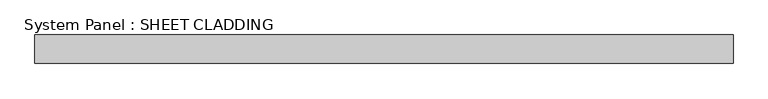
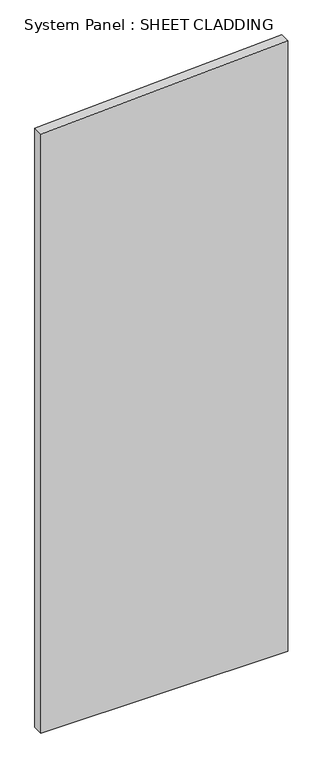
"""IFC4 building model written with IfcOpenShell, lengths in millimetres: plate geometry, System Panel : SHEET CLADDING."""

from ifc_helpers import new_model, si_unit, frame, origin, place, context, project, spatial, polyline, outline, extrude, source, transform, mapped, element, save


def system_panel_sheet_cladding_2e17ed86(model_context):
    return source(origin(), model_context, "Body", "SweptSolid", [
        extrude(outline(polyline([(0.0, -735.4591837), (0.0, 735.4591837), (3844.105102, 735.4591837), (3770.5591837, -735.4591837), (0.0, -735.4591837)])), frame((0.0, -10.5, 0.0), z_axis=(0.0, 1.0, 0.0), x_axis=(0.0, 0.0, 1.0)), (0.0, 0.0, 1.0), 60.0),
    ])


if __name__ == "__main__":
    model = new_model("IFC4")
    model_context = context("Model", 3, world=origin())
    ifc_project = project(units=[si_unit("LENGTHUNIT", "METRE", prefix="MILLI")], contexts=[model_context])
    site = spatial("IfcSite", under=ifc_project)
    building = spatial("IfcBuilding", under=site)
    placement = place(None, origin())
    system_panel_sheet_cladding_shape = system_panel_sheet_cladding_2e17ed86(model_context)
    element("IfcPlate", 1, ObjectType="System Panel : SHEET CLADDING", at=placement, inside=building, context=model_context, shape_type="MappedRepresentation", body=[
        mapped(system_panel_sheet_cladding_shape, transform((0.0, 0.0, 0.0), x_axis=(1.0, 0.0, 0.0), y_axis=(0.0, 1.0, 0.0), z_axis=(0.0, 0.0, 1.0))),
    ])
    save(model, "model.ifc")
